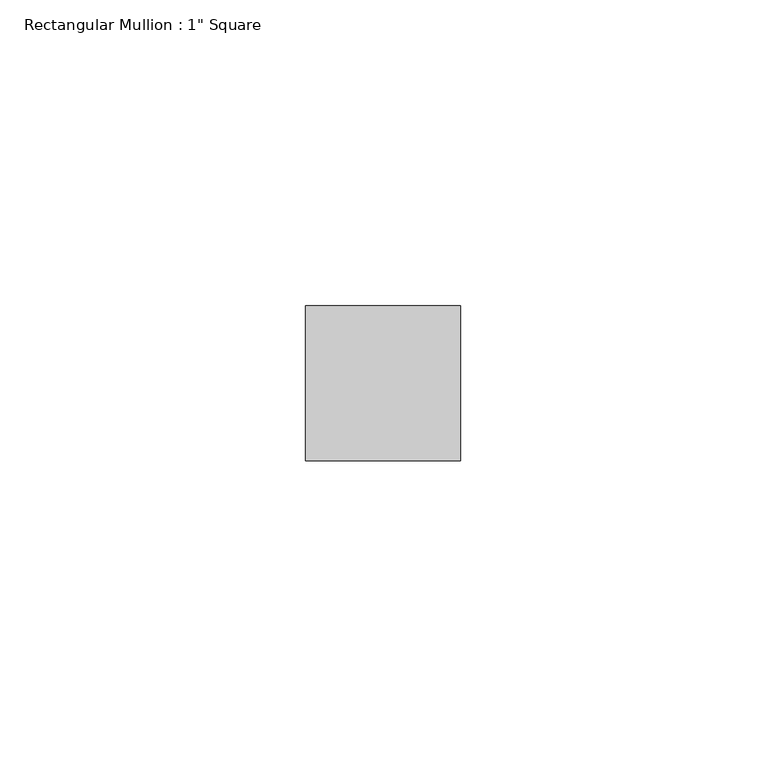
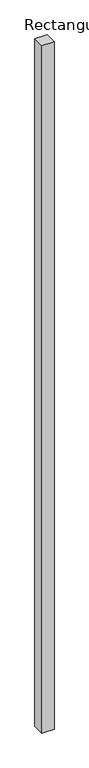
"""IFC4 building model written with IfcOpenShell, lengths in millimetres: member geometry."""

from ifc_helpers import new_model, si_unit, frame, origin, place, context, project, spatial, polyline, outline, extrude, source, transform, mapped, element, save


def member_c76b8367(model_context):
    return source(origin(), model_context, "Body", "SweptSolid", [
        extrude(outline(polyline([(12.7, 12.7), (12.7, -12.7), (-12.7, -12.7), (-12.7, 12.7), (12.7, 12.7)])), frame((0.0, 0.0, -1524.0), z_axis=(0.0, 0.0, 1.0), x_axis=(1.0, 0.0, 0.0)), (0.0, 0.0, 1.0), 1524.0),
    ])


if __name__ == "__main__":
    model = new_model("IFC4")
    model_context = context("Model", 3, world=origin())
    ifc_project = project(units=[si_unit("LENGTHUNIT", "METRE", prefix="MILLI")], contexts=[model_context])
    site = spatial("IfcSite", under=ifc_project)
    building = spatial("IfcBuilding", under=site)
    placement = place(None, origin())
    member_shape = member_c76b8367(model_context)
    element("IfcMember", 1, ObjectType="Rectangular Mullion : 1\" Square", at=placement, inside=building, context=model_context, shape_type="MappedRepresentation", body=[
        mapped(member_shape, transform((0.0, 0.0, 0.0), x_axis=(1.0, 0.0, 0.0), y_axis=(0.0, 1.0, 0.0), z_axis=(0.0, 0.0, 1.0))),
    ])
    save(model, "model.ifc")
